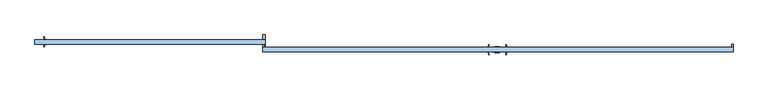
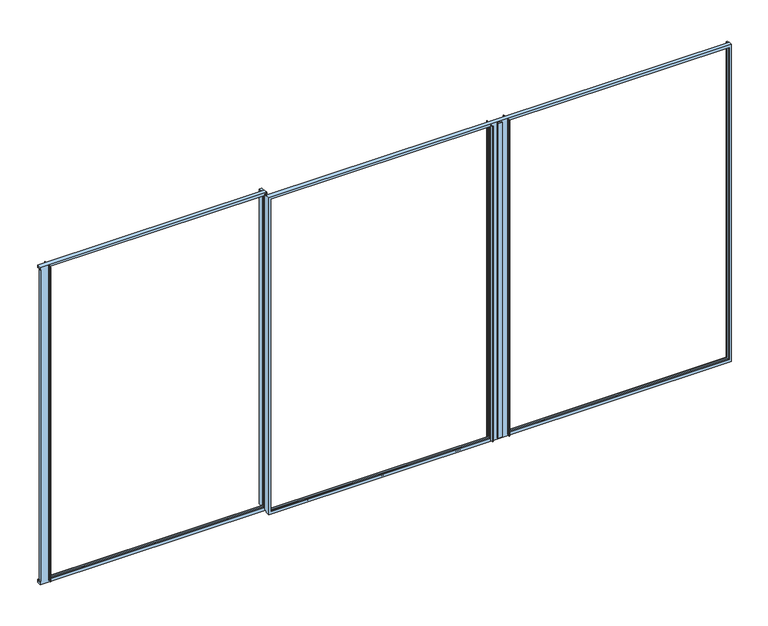
"""IFC4 building model written with IfcOpenShell, lengths in millimetres: window geometry."""

from ifc_helpers import new_model, si_unit, frame, origin, place, context, project, spatial, polyline, circle_curve, source, transform, mapped, element, save
from ifc_brep_helpers import plane_surface, cylinder_surface, revolved_surface, advanced_brep


def window_4b9cd3b5(model_context):
    return source(origin(), model_context, "Body", "AdvancedBrep", [
        advanced_brep(
        [(2165.9184395, -56.9, 844.0), (2168.8022748, -54.7267369, 844.0), (2170.1850628, -49.9032764, 844.0), (2170.060369, -47.9669635, 844.0), (2164.3252178, -32.5567861, 844.0), (2164.8, -31.9, 844.0), (2167.5600389, -31.9, 844.0), (2168.5163437, -32.6076283, 844.0), (2173.1689143, -47.825501, 844.0), (2173.1689143, -50.3823333, 844.0), (2171.3004318, -56.9, 844.0), (2171.3004318, -93.3, 844.0), (2173.1689143, -99.8176667, 844.0), (2173.1689143, -102.374499, 844.0), (2168.5163437, -117.5923717, 844.0), (2167.5600389, -118.3, 844.0), (2164.8, -118.3, 844.0), (2164.3252178, -117.6432139, 844.0), (2170.060369, -102.2330365, 844.0), (2170.1850628, -100.2967236, 844.0), (2168.8022748, -95.4732631, 844.0), (2165.9184395, -93.3, 844.0), (2165.9184395, -56.9, 3756.0), (2168.8022748, -54.7267369, 3756.0), (2170.1850628, -49.9032764, 3756.0), (2170.060369, -47.9669635, 3756.0), (2164.3252178, -32.5567861, 3756.0), (2164.8, -31.9, 3756.0), (2167.5600389, -31.9, 3756.0), (2168.5163437, -32.6076283, 3756.0), (2173.1689143, -47.825501, 3756.0), (2173.1689143, -50.3823333, 3756.0), (2171.3004318, -56.9, 3756.0), (4120.0, -56.9, 3765.0), (4120.0, -56.9, 3756.0), (4110.0, -56.9, 3756.0), (4110.0, -56.9, 844.0), (4120.0, -56.9, 844.0), (4120.0, -56.9, 832.5), (80.0, -56.9, 832.5), (80.0, -56.9, 844.0), (90.0, -56.9, 844.0), (90.0, -56.9, 3756.0), (80.0, -56.9, 3756.0), (80.0, -56.9, 3765.0), (2172.3307143, -56.9, 3741.0), (2172.3307143, -56.9, 859.0), (4100.0, -56.9, 859.0), (4100.0, -56.9, 3741.0), (2015.3692857, -56.9, 859.0), (2015.3692857, -56.9, 3741.0), (100.0, -56.9, 3741.0), (100.0, -56.9, 859.0), (2100.0, -56.9, 3756.0), (2072.7, -56.9, 3756.0), (2072.7, -56.9, 844.0), (2100.0, -56.9, 844.0), (2021.7815605, -56.9, 3756.0), (2016.3995682, -56.9, 3756.0), (2016.3995682, -56.9, 844.0), (2021.7815605, -56.9, 844.0), (2171.3004318, -93.3, 3756.0), (2173.1689143, -99.8176667, 3756.0), (2173.1689143, -102.374499, 3756.0), (2168.5163437, -117.5923717, 3756.0), (2167.5600389, -118.3, 3756.0), (2164.8, -118.3, 3756.0), (2164.3252178, -117.6432139, 3756.0), (2170.060369, -102.2330365, 3756.0), (2170.1850628, -100.2967236, 3756.0), (2168.8022748, -95.4732631, 3756.0), (2165.9184395, -93.3, 3756.0), (80.0, -93.3, 832.5), (4120.0, -93.3, 832.5), (4120.0, -93.3, 3765.0), (80.0, -93.3, 3765.0), (100.0, -93.3, 859.0), (100.0, -93.3, 3741.0), (2015.3692857, -93.3, 3741.0), (2015.3692857, -93.3, 859.0), (2172.3307143, -93.3, 859.0), (2172.3307143, -93.3, 3741.0), (4100.0, -93.3, 3741.0), (4100.0, -93.3, 859.0), (2016.3995682, -93.3, 3756.0), (2021.7815605, -93.3, 3756.0), (2021.7815605, -93.3, 844.0), (2016.3995682, -93.3, 844.0), (2072.7, -93.3, 3756.0), (2100.0, -93.3, 3756.0), (2100.0, -93.3, 844.0), (2072.7, -93.3, 844.0), (2172.3307143, -90.1, 859.0), (2172.3307143, -90.1, 3741.0), (4100.0, -90.1, 3741.0), (4100.0, -90.1, 859.0), (4120.0, -30.3, 844.0), (4120.0, -30.3, 3756.0), (80.0, -30.3, 3756.0), (80.0, -30.3, 844.0), (100.0, -90.1, 859.0), (100.0, -90.1, 3741.0), (2015.3692857, -90.1, 859.0), (2015.3692857, -90.1, 3741.0), (2100.0, -96.324311, 3756.0), (2100.0, -96.324311, 844.0), (2100.0, -53.9, 844.0), (2100.0, -53.9, 3756.0), (2072.7, -48.8, 844.0), (2112.3000215, -48.8, 844.0), (2112.3000215, -53.9, 844.0), (2112.3000215, -96.324311, 844.0), (2112.3000215, -101.6, 844.0), (2072.7, -101.6, 844.0), (2018.8977252, -95.4732631, 844.0), (2017.5149372, -100.2967236, 844.0), (2017.639631, -102.2330365, 844.0), (2023.3747822, -117.6432139, 844.0), (2022.9, -118.3, 844.0), (2020.1399611, -118.3, 844.0), (2019.1836563, -117.5923717, 844.0), (2014.5310857, -102.374499, 844.0), (2014.5310857, -99.8176667, 844.0), (2014.5310857, -50.3823333, 844.0), (2014.5310857, -47.825501, 844.0), (2019.1836563, -32.6076283, 844.0), (2020.1399611, -31.9, 844.0), (2022.9, -31.9, 844.0), (2023.3747822, -32.5567861, 844.0), (2017.639631, -47.9669635, 844.0), (2017.5149372, -49.9032764, 844.0), (2018.8977252, -54.7267369, 844.0), (2072.7, -101.6, 3756.0), (2018.8977252, -95.4732631, 3756.0), (2014.5310857, -99.8176667, 3756.0), (2159.3, -90.1, 847.0000675), (2159.3, -90.1, 3752.9999325), (4112.0, -90.1, 3752.9999325), (4112.0, -90.1, 847.0000675), (2159.3, -60.1, 847.0000675), (2159.3, -60.1, 3752.9999325), (4112.0, -60.1, 847.0000675), (4112.0, -60.1, 3752.9999325), (2172.3307143, -60.1, 859.0), (2172.3307143, -60.1, 3741.0), (4100.0, -60.1, 3741.0), (4100.0, -60.1, 859.0), (4110.0, -30.3, 3756.0), (4110.0, -30.3, 844.0), (90.0, -30.3, 844.0), (90.0, -30.3, 3756.0), (2015.3692857, -60.1, 859.0), (2015.3692857, -60.1, 3741.0), (100.0, -60.1, 859.0), (100.0, -60.1, 3741.0), (2072.7, -48.8, 3756.0), (2014.5310857, -50.3823333, 3756.0), (2018.8977252, -54.7267369, 3756.0), (2028.4, -90.1, 847.0000675), (88.0, -90.1, 847.0000675), (88.0, -90.1, 3752.9999325), (2028.4, -90.1, 3752.9999325), (88.0, -60.1, 847.0000675), (2028.4, -60.1, 847.0000675), (88.0, -60.1, 3752.9999325), (2028.4, -60.1, 3752.9999325), (2112.3000215, -48.8, 3756.0), (2112.3000215, -53.9, 3756.0), (2112.3000215, -96.324311, 3756.0), (2112.3000215, -101.6, 3756.0), (2017.5149372, -100.2967236, 3756.0), (2017.639631, -102.2330365, 3756.0), (2023.3747822, -117.6432139, 3756.0), (2022.9, -118.3, 3756.0), (2020.1399611, -118.3, 3756.0), (2019.1836563, -117.5923717, 3756.0), (2014.5310857, -102.374499, 3756.0), (2014.5310857, -47.825501, 3756.0), (2019.1836563, -32.6076283, 3756.0), (2020.1399611, -31.9, 3756.0), (2022.9, -31.9, 3756.0), (2023.3747822, -32.5567861, 3756.0), (2017.639631, -47.9669635, 3756.0), (2017.5149372, -49.9032764, 3756.0)],
        [
            (0, 1, circle_curve(frame((2165.9184395, -53.9, 844.0), z_axis=(0.0, 0.0, 1.0), x_axis=(0.0, -1.0, 0.0)), 3.0)),
            (1, 2),
            (2, 3, circle_curve(frame((2167.2897839, -49.1175538, 844.0), z_axis=(0.0, 0.0, 1.0), x_axis=(0.0, -1.0, 0.0)), 3.0)),
            (3, 4, circle_curve(frame((2373.4931585, 36.5162025, 844.0), z_axis=(0.0, 0.0, -1.0), x_axis=(0.0, -1.0, 0.0)), 220.2777909)),
            (4, 5, circle_curve(frame((2164.8, -32.4, 844.0), z_axis=(0.0, 0.0, -1.0), x_axis=(0.0, -1.0, 0.0)), 0.5)),
            (5, 6),
            (6, 7, circle_curve(frame((2167.5600389, -32.9, 844.0), z_axis=(0.0, 0.0, -1.0), x_axis=(0.0, -1.0, 0.0)), 1.0)),
            (7, 8),
            (8, 9, circle_curve(frame((2168.7095251, -49.1039171, 844.0), z_axis=(0.0, 0.0, -1.0), x_axis=(0.0, -1.0, 0.0)), 4.6390193)),
            (9, 10),
            (10, 0),
            (11, 12),
            (12, 13, circle_curve(frame((2168.7095251, -101.0960829, 844.0), z_axis=(0.0, 0.0, -1.0), x_axis=(0.0, -1.0, 0.0)), 4.6390193)),
            (13, 14),
            (14, 15, circle_curve(frame((2167.5600389, -117.3, 844.0), z_axis=(0.0, 0.0, -1.0), x_axis=(0.0, -1.0, 0.0)), 1.0)),
            (15, 16),
            (16, 17, circle_curve(frame((2164.8, -117.8, 844.0), z_axis=(0.0, 0.0, -1.0), x_axis=(0.0, -1.0, 0.0)), 0.5)),
            (17, 18, circle_curve(frame((2373.4931585, -186.7162025, 844.0), z_axis=(0.0, 0.0, -1.0), x_axis=(0.0, -1.0, 0.0)), 220.2777909)),
            (18, 19, circle_curve(frame((2167.2897839, -101.0824462, 844.0), z_axis=(0.0, 0.0, 1.0), x_axis=(0.0, -1.0, 0.0)), 3.0)),
            (19, 20),
            (20, 21, circle_curve(frame((2165.9184395, -96.3, 844.0), z_axis=(0.0, 0.0, 1.0), x_axis=(0.0, -1.0, 0.0)), 3.0)),
            (21, 11),
            (22, 23, circle_curve(frame((2165.9184395, -53.9, 3756.0), z_axis=(0.0, 0.0, 1.0), x_axis=(0.0, -1.0, 0.0)), 3.0)),
            (23, 1),
            (0, 22),
            (23, 24),
            (24, 2),
            (24, 25, circle_curve(frame((2167.2897839, -49.1175538, 3756.0), z_axis=(0.0, 0.0, 1.0), x_axis=(0.0, -1.0, 0.0)), 3.0)),
            (25, 3),
            (25, 26, circle_curve(frame((2373.4931585, 36.5162025, 3756.0), z_axis=(0.0, 0.0, -1.0), x_axis=(0.0, -1.0, 0.0)), 220.2777909)),
            (26, 4),
            (26, 27, circle_curve(frame((2164.8, -32.4, 3756.0), z_axis=(0.0, 0.0, -1.0), x_axis=(0.0, -1.0, 0.0)), 0.5)),
            (27, 5),
            (27, 28),
            (28, 6),
            (28, 29, circle_curve(frame((2167.5600389, -32.9, 3756.0), z_axis=(0.0, 0.0, -1.0), x_axis=(0.0, -1.0, 0.0)), 1.0)),
            (29, 7),
            (29, 30),
            (30, 8),
            (30, 31, circle_curve(frame((2168.7095251, -49.1039171, 3756.0), z_axis=(0.0, 0.0, -1.0), x_axis=(0.0, -1.0, 0.0)), 4.6390193)),
            (31, 9),
            (31, 32),
            (32, 10),
            (33, 34),
            (34, 35),
            (35, 36),
            (36, 37),
            (37, 38),
            (38, 39),
            (39, 40),
            (40, 41),
            (41, 42),
            (42, 43),
            (43, 44),
            (44, 33),
            (32, 22),
            (45, 46),
            (46, 47),
            (47, 48),
            (48, 45),
            (49, 50),
            (50, 51),
            (51, 52),
            (52, 49),
            (53, 54),
            (54, 55),
            (55, 56),
            (56, 53),
            (57, 58),
            (58, 59),
            (59, 60),
            (60, 57),
            (61, 62),
            (62, 12),
            (11, 61),
            (62, 63, circle_curve(frame((2168.7095251, -101.0960829, 3756.0), z_axis=(0.0, 0.0, -1.0), x_axis=(0.0, -1.0, 0.0)), 4.6390193)),
            (63, 13),
            (63, 64),
            (64, 14),
            (64, 65, circle_curve(frame((2167.5600389, -117.3, 3756.0), z_axis=(0.0, 0.0, -1.0), x_axis=(0.0, -1.0, 0.0)), 1.0)),
            (65, 15),
            (65, 66),
            (66, 16),
            (66, 67, circle_curve(frame((2164.8, -117.8, 3756.0), z_axis=(0.0, 0.0, -1.0), x_axis=(0.0, -1.0, 0.0)), 0.5)),
            (67, 17),
            (67, 68, circle_curve(frame((2373.4931585, -186.7162025, 3756.0), z_axis=(0.0, 0.0, -1.0), x_axis=(0.0, -1.0, 0.0)), 220.2777909)),
            (68, 18),
            (68, 69, circle_curve(frame((2167.2897839, -101.0824462, 3756.0), z_axis=(0.0, 0.0, 1.0), x_axis=(0.0, -1.0, 0.0)), 3.0)),
            (69, 19),
            (69, 70),
            (70, 20),
            (70, 71, circle_curve(frame((2165.9184395, -96.3, 3756.0), z_axis=(0.0, 0.0, 1.0), x_axis=(0.0, -1.0, 0.0)), 3.0)),
            (71, 21),
            (72, 73),
            (73, 74),
            (74, 75),
            (75, 72),
            (71, 61),
            (76, 77),
            (77, 78),
            (78, 79),
            (79, 76),
            (80, 81),
            (81, 82),
            (82, 83),
            (83, 80),
            (84, 85),
            (85, 86),
            (86, 87),
            (87, 84),
            (88, 89),
            (89, 90),
            (90, 91),
            (91, 88),
            (80, 92),
            (92, 93),
            (93, 81),
            (82, 94),
            (94, 95),
            (95, 83),
            (95, 92),
            (38, 73),
            (72, 39),
            (37, 96),
            (96, 97),
            (97, 34),
            (33, 74),
            (98, 99),
            (99, 40),
            (75, 44),
            (43, 98),
            (76, 100),
            (100, 101),
            (101, 77),
            (102, 79),
            (78, 103),
            (103, 102),
            (102, 100),
            (104, 105),
            (105, 90),
            (89, 104),
            (106, 107),
            (107, 53),
            (56, 106),
            (108, 109),
            (109, 110),
            (110, 106),
            (55, 108),
            (105, 111),
            (111, 112),
            (112, 113),
            (113, 91),
            (86, 114, circle_curve(frame((2021.7815605, -96.3, 844.0), z_axis=(0.0, 0.0, 1.0), x_axis=(0.0, -1.0, 0.0)), 3.0)),
            (114, 115),
            (115, 116, circle_curve(frame((2020.4102161, -101.0824462, 844.0), z_axis=(0.0, 0.0, 1.0), x_axis=(0.0, -1.0, 0.0)), 3.0)),
            (116, 117, circle_curve(frame((1814.2068415, -186.7162025, 844.0), z_axis=(0.0, 0.0, -1.0), x_axis=(0.0, -1.0, 0.0)), 220.2777909)),
            (117, 118, circle_curve(frame((2022.9, -117.8, 844.0), z_axis=(0.0, 0.0, -1.0), x_axis=(0.0, -1.0, 0.0)), 0.5)),
            (118, 119),
            (119, 120, circle_curve(frame((2020.1399611, -117.3, 844.0), z_axis=(0.0, 0.0, -1.0), x_axis=(0.0, -1.0, 0.0)), 1.0)),
            (120, 121),
            (121, 122, circle_curve(frame((2018.9904749, -101.0960829, 844.0), z_axis=(0.0, 0.0, -1.0), x_axis=(0.0, -1.0, 0.0)), 4.6390193)),
            (122, 87),
            (59, 123),
            (123, 124, circle_curve(frame((2018.9904749, -49.1039171, 844.0), z_axis=(0.0, 0.0, -1.0), x_axis=(0.0, -1.0, 0.0)), 4.6390193)),
            (124, 125),
            (125, 126, circle_curve(frame((2020.1399611, -32.9, 844.0), z_axis=(0.0, 0.0, -1.0), x_axis=(0.0, -1.0, 0.0)), 1.0)),
            (126, 127),
            (127, 128, circle_curve(frame((2022.9, -32.4, 844.0), z_axis=(0.0, 0.0, -1.0), x_axis=(0.0, -1.0, 0.0)), 0.5)),
            (128, 129, circle_curve(frame((1814.2068415, 36.5162025, 844.0), z_axis=(0.0, 0.0, -1.0), x_axis=(0.0, -1.0, 0.0)), 220.2777909)),
            (129, 130, circle_curve(frame((2020.4102161, -49.1175538, 844.0), z_axis=(0.0, 0.0, 1.0), x_axis=(0.0, -1.0, 0.0)), 3.0)),
            (130, 131),
            (131, 60, circle_curve(frame((2021.7815605, -53.9, 844.0), z_axis=(0.0, 0.0, 1.0), x_axis=(0.0, -1.0, 0.0)), 3.0)),
            (132, 88),
            (113, 132),
            (85, 133, circle_curve(frame((2021.7815605, -96.3, 3756.0), z_axis=(0.0, 0.0, 1.0), x_axis=(0.0, -1.0, 0.0)), 3.0)),
            (133, 114),
            (134, 84),
            (122, 134),
            (135, 136),
            (136, 137),
            (137, 138),
            (138, 135),
            (94, 93),
            (135, 139),
            (139, 140),
            (140, 136),
            (141, 138),
            (137, 142),
            (142, 141),
            (141, 139),
            (142, 140),
            (143, 144),
            (144, 145),
            (145, 146),
            (146, 143),
            (143, 46),
            (45, 144),
            (145, 48),
            (47, 146),
            (35, 147),
            (147, 148),
            (148, 36),
            (148, 96),
            (99, 149),
            (149, 41),
            (150, 42),
            (149, 150),
            (49, 151),
            (151, 152),
            (152, 50),
            (153, 52),
            (51, 154),
            (154, 153),
            (153, 151),
            (54, 155),
            (155, 108),
            (58, 156),
            (156, 123),
            (157, 57, circle_curve(frame((2021.7815605, -53.9, 3756.0), z_axis=(0.0, 0.0, 1.0), x_axis=(0.0, -1.0, 0.0)), 3.0)),
            (131, 157),
            (147, 97),
            (98, 150),
            (158, 159),
            (159, 160),
            (160, 161),
            (161, 158),
            (103, 101),
            (162, 159),
            (158, 163),
            (163, 162),
            (162, 164),
            (164, 160),
            (165, 163),
            (161, 165),
            (165, 164),
            (154, 152),
            (155, 166),
            (166, 109),
            (166, 167),
            (167, 110),
            (167, 107),
            (104, 168),
            (168, 111),
            (168, 169),
            (169, 112),
            (169, 132),
            (133, 170),
            (170, 115),
            (170, 171, circle_curve(frame((2020.4102161, -101.0824462, 3756.0), z_axis=(0.0, 0.0, 1.0), x_axis=(0.0, -1.0, 0.0)), 3.0)),
            (171, 116),
            (171, 172, circle_curve(frame((1814.2068415, -186.7162025, 3756.0), z_axis=(0.0, 0.0, -1.0), x_axis=(0.0, -1.0, 0.0)), 220.2777909)),
            (172, 117),
            (172, 173, circle_curve(frame((2022.9, -117.8, 3756.0), z_axis=(0.0, 0.0, -1.0), x_axis=(0.0, -1.0, 0.0)), 0.5)),
            (173, 118),
            (173, 174),
            (174, 119),
            (174, 175, circle_curve(frame((2020.1399611, -117.3, 3756.0), z_axis=(0.0, 0.0, -1.0), x_axis=(0.0, -1.0, 0.0)), 1.0)),
            (175, 120),
            (175, 176),
            (176, 121),
            (176, 134, circle_curve(frame((2018.9904749, -101.0960829, 3756.0), z_axis=(0.0, 0.0, -1.0), x_axis=(0.0, -1.0, 0.0)), 4.6390193)),
            (156, 177, circle_curve(frame((2018.9904749, -49.1039171, 3756.0), z_axis=(0.0, 0.0, -1.0), x_axis=(0.0, -1.0, 0.0)), 4.6390193)),
            (177, 124),
            (177, 178),
            (178, 125),
            (178, 179, circle_curve(frame((2020.1399611, -32.9, 3756.0), z_axis=(0.0, 0.0, -1.0), x_axis=(0.0, -1.0, 0.0)), 1.0)),
            (179, 126),
            (179, 180),
            (180, 127),
            (180, 181, circle_curve(frame((2022.9, -32.4, 3756.0), z_axis=(0.0, 0.0, -1.0), x_axis=(0.0, -1.0, 0.0)), 0.5)),
            (181, 128),
            (181, 182, circle_curve(frame((1814.2068415, 36.5162025, 3756.0), z_axis=(0.0, 0.0, -1.0), x_axis=(0.0, -1.0, 0.0)), 220.2777909)),
            (182, 129),
            (182, 183, circle_curve(frame((2020.4102161, -49.1175538, 3756.0), z_axis=(0.0, 0.0, 1.0), x_axis=(0.0, -1.0, 0.0)), 3.0)),
            (183, 130),
            (183, 157),
        ],
        [
            plane_surface(frame((2100.0, 100.0, 844.0), z_axis=(0.0, 0.0, -1.0), x_axis=(0.0, -1.0, 0.0))),
            revolved_surface(polyline([(2165.9184395, -56.9, 844.0), (2165.9184395, -56.9, 3756.0)]), (2165.9184395, -53.9, 3756.0), (0.0, 0.0, -1.0)),
            plane_surface(frame((2170.1850628, -49.9032764, 3756.0), z_axis=(-0.9612784358401893, 0.27557897014946353, 0.0), x_axis=(0.0, 0.0, -1.0))),
            revolved_surface(polyline([(2167.2897839, -52.1175538, 844.0), (2167.2897839, -52.1175538, 3756.0)]), (2167.2897839, -49.1175538, 3756.0), (0.0, 0.0, -1.0)),
            cylinder_surface(frame((2373.4931585, 36.5162025, 3756.0), z_axis=(0.0, 0.0, 1.0), x_axis=(0.0, -1.0, 0.0)), 220.2777909),
            cylinder_surface(frame((2164.8, -32.4, 3756.0), z_axis=(0.0, 0.0, 1.0), x_axis=(0.0, -1.0, 0.0)), 0.5),
            plane_surface(frame((2167.5600389, -31.9, 3756.0), z_axis=(0.0, 1.0, 0.0), x_axis=(0.0, 0.0, -1.0))),
            cylinder_surface(frame((2167.5600389, -32.9, 3756.0), z_axis=(0.0, 0.0, 1.0), x_axis=(0.0, -1.0, 0.0)), 1.0),
            plane_surface(frame((2173.1689143, -47.825501, 3756.0), z_axis=(0.956304755963094, 0.2923717047225452, 0.0), x_axis=(0.0, 0.0, -1.0))),
            cylinder_surface(frame((2168.7095251, -49.1039171, 3756.0), z_axis=(0.0, 0.0, 1.0), x_axis=(0.0, -1.0, 0.0)), 4.6390193),
            plane_surface(frame((2171.3004318, -56.9, 3756.0), z_axis=(0.9612784356152697, -0.27557897093403194, 0.0), x_axis=(0.0, 0.0, -1.0))),
            plane_surface(frame((2172.3307143, -56.9, 3756.0), z_axis=(0.0, 1.0, 0.0), x_axis=(0.0, 0.0, -1.0))),
            plane_surface(frame((2173.1689143, -99.8176667, 3756.0), z_axis=(0.961278435649344, 0.27557897081517363, 0.0), x_axis=(0.0, 0.0, -1.0))),
            cylinder_surface(frame((2168.7095251, -101.0960829, 3756.0), z_axis=(0.0, 0.0, 1.0), x_axis=(0.0, -1.0, 0.0)), 4.6390193),
            plane_surface(frame((2168.5163437, -117.5923717, 3756.0), z_axis=(0.956304755963116, -0.29237170472247326, 0.0), x_axis=(0.0, 0.0, -1.0))),
            cylinder_surface(frame((2167.5600389, -117.3, 3756.0), z_axis=(0.0, 0.0, 1.0), x_axis=(0.0, -1.0, 0.0)), 1.0),
            plane_surface(frame((2164.8, -118.3, 3756.0), z_axis=(0.0, -1.0, 0.0), x_axis=(0.0, 0.0, -1.0))),
            cylinder_surface(frame((2164.8, -117.8, 3756.0), z_axis=(0.0, 0.0, 1.0), x_axis=(0.0, -1.0, 0.0)), 0.5),
            cylinder_surface(frame((2373.4931585, -186.7162025, 3756.0), z_axis=(0.0, 0.0, 1.0), x_axis=(0.0, -1.0, 0.0)), 220.2777909),
            revolved_surface(polyline([(2167.2897839, -104.0824462, 844.0), (2167.2897839, -104.0824462, 3756.0)]), (2167.2897839, -101.0824462, 3756.0), (0.0, 0.0, -1.0)),
            plane_surface(frame((2168.8022748, -95.4732631, 3756.0), z_axis=(-0.9612784358632879, -0.2755789700688911, 0.0), x_axis=(0.0, 0.0, -1.0))),
            revolved_surface(polyline([(2165.9184395, -99.3, 844.0), (2165.9184395, -99.3, 3756.0)]), (2165.9184395, -96.3, 3756.0), (0.0, 0.0, -1.0)),
            plane_surface(frame((2100.0, -93.3, 3756.0), z_axis=(0.0, -1.0, 0.0), x_axis=(0.0, 0.0, -1.0))),
            plane_surface(frame((2172.3307143, -93.3, 3756.0), z_axis=(1.0, 0.0, 0.0), x_axis=(0.0, 0.0, -1.0))),
            plane_surface(frame((4100.0, -90.1, 3756.0), z_axis=(-1.0, 0.0, 0.0), x_axis=(0.0, 0.0, -1.0))),
            plane_surface(frame((2100.0, -93.3, 859.0), z_axis=(0.0, 0.0, 1.0), x_axis=(1.0, 0.0, 0.0))),
            plane_surface(frame((2100.0, -56.9, 832.5), z_axis=(0.0, 0.0, -1.0), x_axis=(1.0, 0.0, 0.0))),
            plane_surface(frame((4120.0, -56.9, 859.0), z_axis=(1.0, 0.0, 0.0), x_axis=(0.0, -1.0, 0.0))),
            plane_surface(frame((80.0, -30.3, 3756.0), z_axis=(-1.0, 0.0, 0.0), x_axis=(0.0, 0.0, -1.0))),
            plane_surface(frame((100.0, -93.3, 3756.0), z_axis=(1.0, 0.0, 0.0), x_axis=(0.0, 0.0, -1.0))),
            plane_surface(frame((2015.3692857, -90.1, 3756.0), z_axis=(-1.0, 0.0, 0.0), x_axis=(0.0, 0.0, -1.0))),
            plane_surface(frame((80.0, -93.3, 859.0), z_axis=(0.0, 0.0, 1.0), x_axis=(1.0, 0.0, 0.0))),
            plane_surface(frame((2100.0, -56.9, 3756.0), z_axis=(1.0, 0.0, 0.0), x_axis=(0.0, 0.0, -1.0))),
            plane_surface(frame((2072.7, -93.3, 3756.0), z_axis=(-1.0, 0.0, 0.0), x_axis=(0.0, 0.0, -1.0))),
            revolved_surface(polyline([(2021.7815605, -99.3, 844.0), (2021.7815605, -99.3, 3756.0)]), (2021.7815605, -96.3, 3756.0), (0.0, 0.0, -1.0)),
            plane_surface(frame((2016.3995682, -93.3, 3756.0), z_axis=(-0.9612784356433122, 0.27557897083621324, 0.0), x_axis=(0.0, 0.0, -1.0))),
            plane_surface(frame((2172.3307143, -90.1, 3756.0), z_axis=(0.0, 1.0, 0.0), x_axis=(0.0, 0.0, -1.0))),
            plane_surface(frame((2159.3, -90.1, 3756.0), z_axis=(1.0, 0.0, 0.0), x_axis=(0.0, 0.0, -1.0))),
            plane_surface(frame((4112.0, -60.1, 3756.0), z_axis=(-1.0, 0.0, 0.0), x_axis=(0.0, 0.0, -1.0))),
            plane_surface(frame((2100.0, -90.1, 847.0000675), z_axis=(0.0, 0.0, 1.0), x_axis=(1.0, 0.0, 0.0))),
            plane_surface(frame((2159.3, -60.1, 3756.0), z_axis=(0.0, -1.0, 0.0), x_axis=(0.0, 0.0, -1.0))),
            plane_surface(frame((2172.3307143, -60.1, 3756.0), z_axis=(1.0, 0.0, 0.0), x_axis=(0.0, 0.0, -1.0))),
            plane_surface(frame((4100.0, -56.9, 3756.0), z_axis=(-1.0, 0.0, 0.0), x_axis=(0.0, 0.0, -1.0))),
            plane_surface(frame((2100.0, -60.1, 859.0), z_axis=(0.0, 0.0, 1.0), x_axis=(1.0, 0.0, 0.0))),
            plane_surface(frame((4110.0, -30.3, 3756.0), z_axis=(-1.0, 0.0, 0.0), x_axis=(0.0, 0.0, -1.0))),
            plane_surface(frame((4110.0, -30.3, 844.0), z_axis=(0.0, 0.0, -1.0), x_axis=(1.0, 0.0, 0.0))),
            plane_surface(frame((80.0, -93.3, 844.0), z_axis=(0.0, 0.0, -1.0), x_axis=(0.0, 1.0, 0.0))),
            plane_surface(frame((90.0, -56.9, 3756.0), z_axis=(1.0, 0.0, 0.0), x_axis=(0.0, 0.0, -1.0))),
            plane_surface(frame((2015.3692857, -56.9, 3756.0), z_axis=(-1.0, 0.0, 0.0), x_axis=(0.0, 0.0, -1.0))),
            plane_surface(frame((100.0, -60.1, 3756.0), z_axis=(1.0, 0.0, 0.0), x_axis=(0.0, 0.0, -1.0))),
            plane_surface(frame((80.0, -60.1, 859.0), z_axis=(0.0, 0.0, 1.0), x_axis=(1.0, 0.0, 0.0))),
            plane_surface(frame((2072.7, -48.8, 3756.0), z_axis=(-1.0, 0.0, 0.0), x_axis=(0.0, 0.0, -1.0))),
            plane_surface(frame((2014.5310857, -50.3823333, 3756.0), z_axis=(-0.9612784358231078, -0.2755789702090481, 0.0), x_axis=(0.0, 0.0, -1.0))),
            revolved_surface(polyline([(2021.7815605, -56.9, 844.0), (2021.7815605, -56.9, 3756.0)]), (2021.7815605, -53.9, 3756.0), (0.0, 0.0, -1.0)),
            plane_surface(frame((4120.0, -30.3, 3756.0), z_axis=(0.0, 1.0, 0.0), x_axis=(0.0, 0.0, -1.0))),
            plane_surface(frame((90.0, -30.3, 3756.0), z_axis=(0.0, 1.0, 0.0), x_axis=(0.0, 0.0, -1.0))),
            plane_surface(frame((100.0, -90.1, 3756.0), z_axis=(0.0, 1.0, 0.0), x_axis=(0.0, 0.0, -1.0))),
            plane_surface(frame((80.0, -90.1, 847.0000675), z_axis=(0.0, 0.0, 1.0), x_axis=(1.0, 0.0, 0.0))),
            plane_surface(frame((88.0, -90.1, 3756.0), z_axis=(1.0, 0.0, 0.0), x_axis=(0.0, 0.0, -1.0))),
            plane_surface(frame((2028.4, -60.1, 3756.0), z_axis=(-1.0, 0.0, 0.0), x_axis=(0.0, 0.0, -1.0))),
            plane_surface(frame((88.0, -60.1, 3756.0), z_axis=(0.0, -1.0, 0.0), x_axis=(0.0, 0.0, -1.0))),
            plane_surface(frame((2112.3000215, -48.8, 3756.0), z_axis=(0.0, 1.0, 0.0), x_axis=(0.0, 0.0, -1.0))),
            plane_surface(frame((2112.3000215, -53.9, 3756.0), z_axis=(1.0, 0.0, 0.0), x_axis=(0.0, 0.0, -1.0))),
            plane_surface(frame((2100.0, -53.9, 3756.0), z_axis=(0.0, -1.0, 0.0), x_axis=(0.0, 0.0, -1.0))),
            plane_surface(frame((2112.3000215, -96.324311, 3756.0), z_axis=(0.0, 1.0, 0.0), x_axis=(0.0, 0.0, -1.0))),
            plane_surface(frame((2112.3000215, -101.6, 3756.0), z_axis=(1.0, 0.0, 0.0), x_axis=(0.0, 0.0, -1.0))),
            plane_surface(frame((2072.7, -101.6, 3756.0), z_axis=(0.0, -1.0, 0.0), x_axis=(0.0, 0.0, -1.0))),
            plane_surface(frame((2017.5149372, -100.2967236, 3756.0), z_axis=(0.961278435864002, -0.27557897006640036, 0.0), x_axis=(0.0, 0.0, -1.0))),
            revolved_surface(polyline([(2020.4102161, -104.0824462, 844.0), (2020.4102161, -104.0824462, 3756.0)]), (2020.4102161, -101.0824462, 3756.0), (0.0, 0.0, -1.0)),
            cylinder_surface(frame((1814.2068415, -186.7162025, 3756.0), z_axis=(0.0, 0.0, 1.0), x_axis=(0.0, -1.0, 0.0)), 220.2777909),
            cylinder_surface(frame((2022.9, -117.8, 3756.0), z_axis=(0.0, 0.0, 1.0), x_axis=(0.0, -1.0, 0.0)), 0.5),
            plane_surface(frame((2020.1399611, -118.3, 3756.0), z_axis=(0.0, -1.0, 0.0), x_axis=(0.0, 0.0, -1.0))),
            cylinder_surface(frame((2020.1399611, -117.3, 3756.0), z_axis=(0.0, 0.0, 1.0), x_axis=(0.0, -1.0, 0.0)), 1.0),
            plane_surface(frame((2014.5310857, -102.374499, 3756.0), z_axis=(-0.9563047559631145, -0.29237170472247864, 0.0), x_axis=(0.0, 0.0, -1.0))),
            cylinder_surface(frame((2018.9904749, -101.0960829, 3756.0), z_axis=(0.0, 0.0, 1.0), x_axis=(0.0, -1.0, 0.0)), 4.6390193),
            cylinder_surface(frame((2018.9904749, -49.1039171, 3756.0), z_axis=(0.0, 0.0, 1.0), x_axis=(0.0, -1.0, 0.0)), 4.6390193),
            plane_surface(frame((2019.1836563, -32.6076283, 3756.0), z_axis=(-0.9563047559630947, 0.29237170472254287, 0.0), x_axis=(0.0, 0.0, -1.0))),
            cylinder_surface(frame((2020.1399611, -32.9, 3756.0), z_axis=(0.0, 0.0, 1.0), x_axis=(0.0, -1.0, 0.0)), 1.0),
            plane_surface(frame((2022.9, -31.9, 3756.0), z_axis=(0.0, 1.0, 0.0), x_axis=(0.0, 0.0, -1.0))),
            cylinder_surface(frame((2022.9, -32.4, 3756.0), z_axis=(0.0, 0.0, 1.0), x_axis=(0.0, -1.0, 0.0)), 0.5),
            cylinder_surface(frame((1814.2068415, 36.5162025, 3756.0), z_axis=(0.0, 0.0, 1.0), x_axis=(0.0, -1.0, 0.0)), 220.2777909),
            revolved_surface(polyline([(2020.4102161, -52.1175538, 844.0), (2020.4102161, -52.1175538, 3756.0)]), (2020.4102161, -49.1175538, 3756.0), (0.0, 0.0, -1.0)),
            plane_surface(frame((2018.8977252, -54.7267369, 3756.0), z_axis=(0.9612784358401935, 0.27557897014944926, 0.0), x_axis=(0.0, 0.0, -1.0))),
            plane_surface(frame((2100.0, 100.0, 3756.0), z_axis=(0.0, 0.0, 1.0), x_axis=(0.0, -1.0, 0.0))),
            plane_surface(frame((2100.0, -90.1, 3741.0), z_axis=(0.0, 0.0, -1.0), x_axis=(1.0, 0.0, 0.0))),
            plane_surface(frame((2100.0, -93.3, 3765.0), z_axis=(0.0, 0.0, 1.0), x_axis=(1.0, 0.0, 0.0))),
            plane_surface(frame((80.0, -90.1, 3741.0), z_axis=(0.0, 0.0, -1.0), x_axis=(1.0, 0.0, 0.0))),
            plane_surface(frame((2100.0, -60.1, 3752.9999325), z_axis=(0.0, 0.0, -1.0), x_axis=(1.0, 0.0, 0.0))),
            plane_surface(frame((2100.0, -56.9, 3741.0), z_axis=(0.0, 0.0, -1.0), x_axis=(1.0, 0.0, 0.0))),
            plane_surface(frame((4110.0, -30.3, 3756.0), z_axis=(0.0, 0.0, 1.0), x_axis=(-1.0, 0.0, 0.0))),
            plane_surface(frame((80.0, -93.3, 3756.0), z_axis=(0.0, 0.0, 1.0), x_axis=(0.0, -1.0, 0.0))),
            plane_surface(frame((80.0, -56.9, 3741.0), z_axis=(0.0, 0.0, -1.0), x_axis=(1.0, 0.0, 0.0))),
            plane_surface(frame((80.0, -60.1, 3752.9999325), z_axis=(0.0, 0.0, -1.0), x_axis=(1.0, 0.0, 0.0))),
        ],
        [
            (0, [[1, 2, 3, 4, 5, 6, 7, 8, 9, 10, 11]]),
            (0, [[12, 13, 14, 15, 16, 17, 18, 19, 20, 21, 22]]),
            (1, [[23, 24, -1, 25]]),
            (2, [[26, 27, -2, -24]]),
            (3, [[28, 29, -3, -27]]),
            (4, [[30, 31, -4, -29]]),
            (5, [[32, 33, -5, -31]]),
            (6, [[34, 35, -6, -33]]),
            (7, [[36, 37, -7, -35]]),
            (8, [[38, 39, -8, -37]]),
            (9, [[40, 41, -9, -39]]),
            (10, [[42, 43, -10, -41]]),
            (11, [[44, 45, 46, 47, 48, 49, 50, 51, 52, 53, 54, 55], [-11, -43, 56, -25], [57, 58, 59, 60], [61, 62, 63, 64], [65, 66, 67, 68], [69, 70, 71, 72]]),
            (12, [[73, 74, -12, 75]]),
            (13, [[76, 77, -13, -74]]),
            (14, [[78, 79, -14, -77]]),
            (15, [[80, 81, -15, -79]]),
            (16, [[82, 83, -16, -81]]),
            (17, [[84, 85, -17, -83]]),
            (18, [[86, 87, -18, -85]]),
            (19, [[88, 89, -19, -87]]),
            (20, [[90, 91, -20, -89]]),
            (21, [[92, 93, -21, -91]]),
            (22, [[94, 95, 96, 97], [-22, -93, 98, -75], [99, 100, 101, 102], [103, 104, 105, 106], [107, 108, 109, 110], [111, 112, 113, 114]]),
            (23, [[115, 116, 117, -103]]),
            (24, [[-105, 118, 119, 120]]),
            (25, [[-115, -106, -120, 121]]),
            (26, [[122, -94, 123, -49]]),
            (27, [[-122, -48, 124, 125, 126, -44, 127, -95]]),
            (28, [[128, 129, -50, -123, -97, 130, -54, 131]]),
            (29, [[132, 133, 134, -99]]),
            (30, [[135, -101, 136, 137]]),
            (31, [[138, -132, -102, -135]]),
            (32, [[139, 140, -112, 141]]),
            (32, [[142, 143, -68, 144]]),
            (0, [[145, 146, 147, -144, -67, 148]]),
            (0, [[149, 150, 151, 152, -113, -140]]),
            (0, [[153, 154, 155, 156, 157, 158, 159, 160, 161, 162, -109]]),
            (0, [[163, 164, 165, 166, 167, 168, 169, 170, 171, 172, -71]]),
            (33, [[173, -114, -152, 174]]),
            (34, [[-108, 175, 176, -153]]),
            (35, [[177, -110, -162, 178]]),
            (36, [[179, 180, 181, 182], [-116, -121, -119, 183]]),
            (37, [[184, 185, 186, -179]]),
            (38, [[187, -181, 188, 189]]),
            (39, [[-184, -182, -187, 190]]),
            (40, [[-185, -190, -189, 191], [192, 193, 194, 195]]),
            (41, [[196, -57, 197, -192]]),
            (42, [[-194, 198, -59, 199]]),
            (43, [[-196, -195, -199, -58]]),
            (44, [[200, 201, 202, -46]]),
            (45, [[-202, 203, -124, -47]]),
            (46, [[204, 205, -51, -129]]),
            (47, [[206, -52, -205, 207]]),
            (48, [[208, 209, 210, -61]]),
            (49, [[211, -63, 212, 213]]),
            (50, [[-64, -211, 214, -208]]),
            (51, [[-66, 215, 216, -148]]),
            (52, [[-70, 217, 218, -163]]),
            (53, [[219, -72, -172, 220]]),
            (54, [[221, -125, -203, -201]]),
            (55, [[222, -207, -204, -128]]),
            (56, [[223, 224, 225, 226], [-138, -137, 227, -133]]),
            (57, [[228, -223, 229, 230]]),
            (58, [[-224, -228, 231, 232]]),
            (59, [[233, -229, -226, 234]]),
            (60, [[-230, -233, 235, -231], [-214, -213, 236, -209]]),
            (61, [[237, 238, -145, -216]]),
            (62, [[239, 240, -146, -238]]),
            (63, [[241, -142, -147, -240]]),
            (64, [[242, 243, -149, -139]]),
            (65, [[244, 245, -150, -243]]),
            (66, [[246, -174, -151, -245]]),
            (67, [[247, 248, -154, -176]]),
            (68, [[249, 250, -155, -248]]),
            (69, [[251, 252, -156, -250]]),
            (70, [[253, 254, -157, -252]]),
            (71, [[255, 256, -158, -254]]),
            (72, [[257, 258, -159, -256]]),
            (73, [[259, 260, -160, -258]]),
            (74, [[261, -178, -161, -260]]),
            (75, [[262, 263, -164, -218]]),
            (76, [[264, 265, -165, -263]]),
            (77, [[266, 267, -166, -265]]),
            (78, [[268, 269, -167, -267]]),
            (79, [[270, 271, -168, -269]]),
            (80, [[272, 273, -169, -271]]),
            (81, [[274, 275, -170, -273]]),
            (82, [[276, -220, -171, -275]]),
            (83, [[-92, -90, -88, -86, -84, -82, -80, -78, -76, -73, -98]]),
            (83, [[-42, -40, -38, -36, -34, -32, -30, -28, -26, -23, -56]]),
            (84, [[-117, -183, -118, -104]]),
            (85, [[-96, -127, -55, -130]]),
            (86, [[-100, -134, -227, -136]]),
            (83, [[-215, -65, -143, -241, -239, -237]]),
            (83, [[-219, -276, -274, -272, -270, -268, -266, -264, -262, -217, -69]]),
            (83, [[-177, -261, -259, -257, -255, -253, -251, -249, -247, -175, -107]]),
            (83, [[-173, -246, -244, -242, -141, -111]]),
            (87, [[-186, -191, -188, -180]]),
            (88, [[-197, -60, -198, -193]]),
            (89, [[-221, -200, -45, -126]]),
            (90, [[-206, -222, -131, -53]]),
            (91, [[-236, -212, -62, -210]]),
            (92, [[-235, -234, -225, -232]]),
        ],
    ),
        advanced_brep(
        [(-1880.0, 5.9, 859.0), (-1880.0, 9.1, 859.0), (-1880.0, 9.1, 832.5), (-1880.0, -27.3, 832.5), (-1880.0, -27.3, 859.0), (-1880.0, -24.1, 859.0), (-1880.0, -24.1, 847.0000675), (-1880.0, 5.9, 847.0000675), (-1868.3, 5.9, 859.0), (-1868.3, 9.1, 859.0), (-1795.0, 9.1, 859.0), (-1795.0, 5.9, 859.0), (80.0, 5.9, 859.0), (80.0, 9.1, 859.0), (-1868.3, 9.1, 3741.0), (-1880.0, 9.1, 3741.0), (-1880.0, 9.1, 3765.0), (100.0, 9.1, 3765.0), (100.0, 9.1, 3756.0), (80.0, 9.1, 3756.0), (80.0, 9.1, 3741.0), (-1795.0, 9.1, 3741.0), (80.0, 9.1, 844.0), (100.0, 9.1, 844.0), (100.0, 9.1, 832.5), (-1797.0, 9.1, 3752.9999325), (-1802.3815605, 9.1, 3752.9999325), (-1802.3815605, 9.1, 847.0000675), (-1797.0, 9.1, 847.0000675), (100.0, -27.3, 832.5), (100.0, -27.3, 844.0), (90.0, -27.3, 844.0), (90.0, -27.3, 3756.0), (100.0, -27.3, 3756.0), (100.0, -27.3, 3765.0), (-1880.0, -27.3, 3765.0), (-1880.0, -27.3, 3741.0), (-1868.3, -27.3, 3741.0), (-1868.3, -27.3, 859.0), (-1795.0, -27.3, 859.0), (-1795.0, -27.3, 3741.0), (80.0, -27.3, 3741.0), (80.0, -27.3, 859.0), (-1802.3815605, -27.3, 3752.9999325), (-1797.0, -27.3, 3752.9999325), (-1797.0, -27.3, 847.0000675), (-1802.3815605, -27.3, 847.0000675), (-1868.3, -24.1, 859.0), (-1795.0, -24.1, 859.0), (80.0, -24.1, 859.0), (-1868.3, -24.1, 847.0000675), (92.0, -24.1, 847.0000675), (-1809.0, -24.1, 847.0000675), (-1809.0, -24.1, 3752.9999325), (92.0, -24.1, 3752.9999325), (80.0, -24.1, 3741.0), (-1795.0, -24.1, 3741.0), (-1880.0, -24.1, 3741.0), (-1880.0, -24.1, 3752.9999325), (-1868.3, -24.1, 3752.9999325), (-1868.3, -24.1, 3741.0), (-1868.3, 5.9, 847.0000675), (-1809.0, 5.9, 847.0000675), (92.0, 5.9, 847.0000675), (92.0, 5.9, 3752.9999325), (-1809.0, 5.9, 3752.9999325), (-1795.0, 5.9, 3741.0), (80.0, 5.9, 3741.0), (-1880.0, 5.9, 3752.9999325), (-1880.0, 5.9, 3741.0), (-1868.3, 5.9, 3741.0), (-1868.3, 5.9, 3752.9999325), (100.0, 51.1, 844.0), (100.0, 51.1, 3756.0), (100.0, -53.9, 3756.0), (100.0, -53.9, 844.0), (90.0, -53.9, 844.0), (80.0, 51.1, 844.0), (80.0, 51.1, 3756.0), (90.0, -53.9, 3756.0), (-1799.4977754, 11.2730879, 847.0000675), (-1799.4977754, 11.2730879, 3752.9999325), (-1798.126431, 16.0555341, 847.0000675), (-1798.239631, 18.0330365, 847.0000675), (-1803.9747822, 33.4432139, 847.0000675), (-1803.5, 34.1, 847.0000675), (-1800.7399611, 34.1, 847.0000675), (-1799.7836563, 33.3923717, 847.0000675), (-1795.1310857, 18.174499, 847.0000675), (-1795.1310857, 15.6176786, 847.0000675), (-1795.1310857, -33.8176786, 847.0000675), (-1795.1310857, -36.374499, 847.0000675), (-1799.7836563, -51.5923717, 847.0000675), (-1800.7399611, -52.3, 847.0000675), (-1803.5, -52.3, 847.0000675), (-1803.9747822, -51.6432139, 847.0000675), (-1798.239631, -36.2330365, 847.0000675), (-1798.126431, -34.2555341, 847.0000675), (-1799.4977754, -29.4730879, 847.0000675), (-1795.1310857, 15.6176786, 3752.9999325), (-1795.1310857, -33.8176786, 3752.9999325), (-1799.4977754, -29.4730879, 3752.9999325), (-1798.126431, 16.0555341, 3752.9999325), (-1798.239631, 18.0330365, 3752.9999325), (-1803.9747822, 33.4432139, 3752.9999325), (-1803.5, 34.1, 3752.9999325), (-1800.7399611, 34.1, 3752.9999325), (-1799.7836563, 33.3923717, 3752.9999325), (-1795.1310857, 18.174499, 3752.9999325), (-1795.1310857, -36.374499, 3752.9999325), (-1799.7836563, -51.5923717, 3752.9999325), (-1800.7399611, -52.3, 3752.9999325), (-1803.5, -52.3, 3752.9999325), (-1803.9747822, -51.6432139, 3752.9999325), (-1798.239631, -36.2330365, 3752.9999325), (-1798.126431, -34.2555341, 3752.9999325)],
        [
            (0, 1),
            (1, 2),
            (2, 3),
            (3, 4),
            (4, 5),
            (5, 6),
            (6, 7),
            (7, 0),
            (0, 8),
            (8, 9),
            (9, 1),
            (10, 11),
            (11, 12),
            (12, 13),
            (13, 10),
            (9, 14),
            (14, 15),
            (15, 16),
            (16, 17),
            (17, 18),
            (18, 19),
            (19, 20),
            (20, 21),
            (21, 10),
            (13, 22),
            (22, 23),
            (23, 24),
            (24, 2),
            (25, 26),
            (26, 27),
            (27, 28),
            (28, 25),
            (24, 29),
            (29, 3),
            (29, 30),
            (30, 31),
            (31, 32),
            (32, 33),
            (33, 34),
            (34, 35),
            (35, 36),
            (36, 37),
            (37, 38),
            (38, 4),
            (39, 40),
            (40, 41),
            (41, 42),
            (42, 39),
            (43, 44),
            (44, 45),
            (45, 46),
            (46, 43),
            (38, 47),
            (47, 5),
            (48, 39),
            (42, 49),
            (49, 48),
            (47, 50),
            (50, 6),
            (51, 52),
            (52, 53),
            (53, 54),
            (54, 51),
            (49, 55),
            (55, 56),
            (56, 48),
            (57, 58),
            (58, 59),
            (59, 60),
            (60, 57),
            (50, 61),
            (61, 7),
            (62, 52),
            (51, 63),
            (63, 62),
            (61, 8),
            (63, 64),
            (64, 65),
            (65, 62),
            (11, 66),
            (66, 67),
            (67, 12),
            (68, 69),
            (69, 70),
            (70, 71),
            (71, 68),
            (23, 72),
            (72, 73),
            (73, 18),
            (17, 34),
            (33, 74),
            (74, 75),
            (75, 30),
            (75, 76),
            (76, 31),
            (77, 72),
            (22, 77),
            (78, 73),
            (77, 78),
            (74, 79),
            (79, 76),
            (37, 60),
            (59, 71),
            (70, 14),
            (21, 66),
            (67, 20),
            (19, 78),
            (80, 27, circle_curve(frame((-1802.3815605, 12.1, 847.0000675), z_axis=(0.0, 0.0, -1.0), x_axis=(-1.0, 0.0, 0.0)), 3.0)),
            (26, 81, circle_curve(frame((-1802.3815605, 12.1, 3752.9999325), z_axis=(0.0, 0.0, 1.0), x_axis=(-1.0, 0.0, 0.0)), 3.0)),
            (81, 80),
            (80, 82),
            (82, 83, circle_curve(frame((-1801.0102161, 16.8824462, 847.0000675), z_axis=(0.0, 0.0, 1.0), x_axis=(-1.0, 0.0, 0.0)), 3.0)),
            (83, 84, circle_curve(frame((-1594.8068415, 102.5162025, 847.0000675), z_axis=(0.0, 0.0, -1.0), x_axis=(-1.0, 0.0, 0.0)), 220.2777909)),
            (84, 85, circle_curve(frame((-1803.5, 33.6, 847.0000675), z_axis=(0.0, 0.0, -1.0), x_axis=(-1.0, 0.0, 0.0)), 0.5)),
            (85, 86),
            (86, 87, circle_curve(frame((-1800.7399611, 33.1, 847.0000675), z_axis=(0.0, 0.0, -1.0), x_axis=(-1.0, 0.0, 0.0)), 1.0)),
            (87, 88),
            (88, 89, circle_curve(frame((-1799.5894319, 16.8960888, 847.0000675), z_axis=(0.0, 0.0, -1.0), x_axis=(-1.0, 0.0, 0.0)), 4.638015)),
            (89, 28),
            (45, 90),
            (90, 91, circle_curve(frame((-1799.5894319, -35.0960888, 847.0000675), z_axis=(0.0, 0.0, -1.0), x_axis=(-1.0, 0.0, 0.0)), 4.638015)),
            (91, 92),
            (92, 93, circle_curve(frame((-1800.7399611, -51.3, 847.0000675), z_axis=(0.0, 0.0, -1.0), x_axis=(-1.0, 0.0, 0.0)), 1.0)),
            (93, 94),
            (94, 95, circle_curve(frame((-1803.5, -51.8, 847.0000675), z_axis=(0.0, 0.0, -1.0), x_axis=(-1.0, 0.0, 0.0)), 0.5)),
            (95, 96, circle_curve(frame((-1594.8068415, -120.7162025, 847.0000675), z_axis=(0.0, 0.0, -1.0), x_axis=(-1.0, 0.0, 0.0)), 220.2777909)),
            (96, 97, circle_curve(frame((-1801.0102161, -35.0824462, 847.0000675), z_axis=(0.0, 0.0, 1.0), x_axis=(-1.0, 0.0, 0.0)), 3.0)),
            (97, 98),
            (98, 46, circle_curve(frame((-1802.3815605, -30.3, 847.0000675), z_axis=(0.0, 0.0, 1.0), x_axis=(-1.0, 0.0, 0.0)), 3.0)),
            (89, 99),
            (99, 25),
            (79, 32),
            (56, 40),
            (41, 55),
            (44, 100),
            (100, 90),
            (98, 101),
            (101, 43, circle_curve(frame((-1802.3815605, -30.3, 3752.9999325), z_axis=(0.0, 0.0, 1.0), x_axis=(-1.0, 0.0, 0.0)), 3.0)),
            (65, 53),
            (54, 64),
            (81, 102),
            (102, 82),
            (102, 103, circle_curve(frame((-1801.0102161, 16.8824462, 3752.9999325), z_axis=(0.0, 0.0, 1.0), x_axis=(-1.0, 0.0, 0.0)), 3.0)),
            (103, 83),
            (103, 104, circle_curve(frame((-1594.8068415, 102.5162025, 3752.9999325), z_axis=(0.0, 0.0, -1.0), x_axis=(-1.0, 0.0, 0.0)), 220.2777909)),
            (104, 84),
            (104, 105, circle_curve(frame((-1803.5, 33.6, 3752.9999325), z_axis=(0.0, 0.0, -1.0), x_axis=(-1.0, 0.0, 0.0)), 0.5)),
            (105, 85),
            (105, 106),
            (106, 86),
            (106, 107, circle_curve(frame((-1800.7399611, 33.1, 3752.9999325), z_axis=(0.0, 0.0, -1.0), x_axis=(-1.0, 0.0, 0.0)), 1.0)),
            (107, 87),
            (107, 108),
            (108, 88),
            (108, 99, circle_curve(frame((-1799.5894319, 16.8960888, 3752.9999325), z_axis=(0.0, 0.0, -1.0), x_axis=(-1.0, 0.0, 0.0)), 4.638015)),
            (100, 109, circle_curve(frame((-1799.5894319, -35.0960888, 3752.9999325), z_axis=(0.0, 0.0, -1.0), x_axis=(-1.0, 0.0, 0.0)), 4.638015)),
            (109, 91),
            (109, 110),
            (110, 92),
            (110, 111, circle_curve(frame((-1800.7399611, -51.3, 3752.9999325), z_axis=(0.0, 0.0, -1.0), x_axis=(-1.0, 0.0, 0.0)), 1.0)),
            (111, 93),
            (111, 112),
            (112, 94),
            (112, 113, circle_curve(frame((-1803.5, -51.8, 3752.9999325), z_axis=(0.0, 0.0, -1.0), x_axis=(-1.0, 0.0, 0.0)), 0.5)),
            (113, 95),
            (113, 114, circle_curve(frame((-1594.8068415, -120.7162025, 3752.9999325), z_axis=(0.0, 0.0, -1.0), x_axis=(-1.0, 0.0, 0.0)), 220.2777909)),
            (114, 96),
            (114, 115, circle_curve(frame((-1801.0102161, -35.0824462, 3752.9999325), z_axis=(0.0, 0.0, 1.0), x_axis=(-1.0, 0.0, 0.0)), 3.0)),
            (115, 97),
            (115, 101),
            (16, 35),
            (69, 15),
            (68, 58),
            (57, 36),
        ],
        [
            plane_surface(frame((-1880.0, 9.1, 859.0), z_axis=(-1.0, 0.0, 0.0), x_axis=(0.0, 1.0, 0.0))),
            plane_surface(frame((-1880.0, 5.9, 859.0), z_axis=(0.0, 0.0, 1.0), x_axis=(1.0, 0.0, 0.0))),
            plane_surface(frame((-1880.0, 9.1, 859.0), z_axis=(0.0, 1.0, 0.0), x_axis=(1.0, 0.0, 0.0))),
            plane_surface(frame((-1880.0, 9.1, 832.5), z_axis=(0.0, 0.0, -1.0), x_axis=(1.0, 0.0, 0.0))),
            plane_surface(frame((-1880.0, -27.3, 832.5), z_axis=(0.0, -1.0, 0.0), x_axis=(1.0, 0.0, 0.0))),
            plane_surface(frame((-1880.0, -27.3, 859.0), z_axis=(0.0, 0.0, 1.0), x_axis=(1.0, 0.0, 0.0))),
            plane_surface(frame((-1880.0, -24.1, 859.0), z_axis=(0.0, 1.0, 0.0), x_axis=(1.0, 0.0, 0.0))),
            plane_surface(frame((-1880.0, -24.1, 847.0000675), z_axis=(0.0, 0.0, 1.0), x_axis=(1.0, 0.0, 0.0))),
            plane_surface(frame((-1880.0, 5.9, 847.0000675), z_axis=(0.0, -1.0, 0.0), x_axis=(1.0, 0.0, 0.0))),
            plane_surface(frame((100.0, 9.1, 859.0), z_axis=(1.0, 0.0, 0.0), x_axis=(0.0, -1.0, 0.0))),
            plane_surface(frame((80.0, 51.1, 844.0), z_axis=(0.0, 0.0, -1.0), x_axis=(1.0, 0.0, 0.0))),
            plane_surface(frame((100.0, 51.1, 3756.0), z_axis=(0.0, 1.0, 0.0), x_axis=(0.0, 0.0, -1.0))),
            plane_surface(frame((90.0, -53.9, 3756.0), z_axis=(0.0, -1.0, 0.0), x_axis=(0.0, 0.0, -1.0))),
            plane_surface(frame((-1868.3, -27.3, 847.0000675), z_axis=(-1.0, 0.0, 0.0), x_axis=(0.0, 0.0, 1.0))),
            plane_surface(frame((-1795.0, 9.1, 847.0000675), z_axis=(1.0, 0.0, 0.0), x_axis=(0.0, 0.0, 1.0))),
            plane_surface(frame((80.0, 51.1, 3756.0), z_axis=(-1.0, 0.0, 0.0), x_axis=(0.0, 0.0, -1.0))),
            revolved_surface(polyline([(-1805.3815605, 12.1, 3752.9999325), (-1805.3815605, 12.1, 847.0000675)]), (-1802.3815605, 12.1, 847.0000675), (0.0, 0.0, 1.0)),
            plane_surface(frame((-1795.0, 100.0, 847.0000675), z_axis=(0.0, 0.0, -1.0), x_axis=(0.0, -1.0, 0.0))),
            plane_surface(frame((-1795.1310857, 15.6176786, 847.0000675), z_axis=(0.9612616959382515, -0.27563735581723436, 0.0), x_axis=(0.0, 0.0, 1.0))),
            plane_surface(frame((90.0, -27.3, 3756.0), z_axis=(-1.0, 0.0, 0.0), x_axis=(0.0, 0.0, -1.0))),
            plane_surface(frame((-1795.0, -24.1, 847.0000675), z_axis=(1.0, 0.0, 0.0), x_axis=(0.0, 0.0, 1.0))),
            plane_surface(frame((80.0, -24.1, 3756.0), z_axis=(-1.0, 0.0, 0.0), x_axis=(0.0, 0.0, -1.0))),
            plane_surface(frame((-1797.0, -27.3, 847.0000675), z_axis=(0.9612616959382999, 0.27563735581706544, 0.0), x_axis=(0.0, 0.0, 1.0))),
            revolved_surface(polyline([(-1805.3815605, -30.3, 3752.9999325), (-1805.3815605, -30.3, 847.0000675)]), (-1802.3815605, -30.3, 847.0000675), (0.0, 0.0, 1.0)),
            plane_surface(frame((-1809.0, 5.9, 847.0000675), z_axis=(1.0, 0.0, 0.0), x_axis=(0.0, 0.0, 1.0))),
            plane_surface(frame((92.0, 5.9, 3756.0), z_axis=(-1.0, 0.0, 0.0), x_axis=(0.0, 0.0, -1.0))),
            plane_surface(frame((-1799.4977754, 11.2730879, 847.0000675), z_axis=(-0.9612616959385898, 0.2756373558160545, 0.0), x_axis=(0.0, 0.0, 1.0))),
            revolved_surface(polyline([(-1804.0102161, 16.8824462, 3752.9999325), (-1804.0102161, 16.8824462, 847.0000675)]), (-1801.0102161, 16.8824462, 847.0000675), (0.0, 0.0, 1.0)),
            cylinder_surface(frame((-1594.8068415, 102.5162025, 847.0000675), z_axis=(0.0, 0.0, -1.0), x_axis=(-1.0, 0.0, 0.0)), 220.2777909),
            cylinder_surface(frame((-1803.5, 33.6, 847.0000675), z_axis=(0.0, 0.0, -1.0), x_axis=(-1.0, 0.0, 0.0)), 0.5),
            plane_surface(frame((-1803.5, 34.1, 847.0000675), z_axis=(0.0, 1.0, 0.0), x_axis=(0.0, 0.0, 1.0))),
            cylinder_surface(frame((-1800.7399611, 33.1, 847.0000675), z_axis=(0.0, 0.0, -1.0), x_axis=(-1.0, 0.0, 0.0)), 1.0),
            plane_surface(frame((-1799.7836563, 33.3923717, 847.0000675), z_axis=(0.9563047559631047, 0.29237170472251023, 0.0), x_axis=(0.0, 0.0, 1.0))),
            cylinder_surface(frame((-1799.5894319, 16.8960888, 847.0000675), z_axis=(0.0, 0.0, -1.0), x_axis=(-1.0, 0.0, 0.0)), 4.638015),
            cylinder_surface(frame((-1799.5894319, -35.0960888, 847.0000675), z_axis=(0.0, 0.0, -1.0), x_axis=(-1.0, 0.0, 0.0)), 4.638015),
            plane_surface(frame((-1795.1310857, -36.374499, 847.0000675), z_axis=(0.9563047559630982, -0.29237170472253166, 0.0), x_axis=(0.0, 0.0, 1.0))),
            cylinder_surface(frame((-1800.7399611, -51.3, 847.0000675), z_axis=(0.0, 0.0, -1.0), x_axis=(-1.0, 0.0, 0.0)), 1.0),
            plane_surface(frame((-1800.7399611, -52.3, 847.0000675), z_axis=(0.0, -1.0, 0.0), x_axis=(0.0, 0.0, 1.0))),
            cylinder_surface(frame((-1803.5, -51.8, 847.0000675), z_axis=(0.0, 0.0, -1.0), x_axis=(-1.0, 0.0, 0.0)), 0.5),
            cylinder_surface(frame((-1594.8068415, -120.7162025, 847.0000675), z_axis=(0.0, 0.0, -1.0), x_axis=(-1.0, 0.0, 0.0)), 220.2777909),
            revolved_surface(polyline([(-1804.0102161, -35.0824462, 3752.9999325), (-1804.0102161, -35.0824462, 847.0000675)]), (-1801.0102161, -35.0824462, 847.0000675), (0.0, 0.0, 1.0)),
            plane_surface(frame((-1798.126431, -34.2555341, 847.0000675), z_axis=(-0.9612616959387917, -0.2756373558153504, 0.0), x_axis=(0.0, 0.0, 1.0))),
            plane_surface(frame((80.0, 51.1, 3756.0), z_axis=(0.0, 0.0, 1.0), x_axis=(-1.0, 0.0, 0.0))),
            plane_surface(frame((-1880.0, -27.3, 3765.0), z_axis=(0.0, 0.0, 1.0), x_axis=(1.0, 0.0, 0.0))),
            plane_surface(frame((-1880.0, 9.1, 3741.0), z_axis=(0.0, 0.0, -1.0), x_axis=(1.0, 0.0, 0.0))),
            plane_surface(frame((-1880.0, 9.1, 3765.0), z_axis=(-1.0, 0.0, 0.0), x_axis=(0.0, 1.0, 0.0))),
            plane_surface(frame((-1795.0, 100.0, 3752.9999325), z_axis=(0.0, 0.0, 1.0), x_axis=(0.0, -1.0, 0.0))),
            plane_surface(frame((-1880.0, -24.1, 3741.0), z_axis=(0.0, 0.0, -1.0), x_axis=(1.0, 0.0, 0.0))),
            plane_surface(frame((-1880.0, 5.9, 3752.9999325), z_axis=(0.0, 0.0, -1.0), x_axis=(1.0, 0.0, 0.0))),
        ],
        [
            (0, [[1, 2, 3, 4, 5, 6, 7, 8]]),
            (1, [[-1, 9, 10, 11]]),
            (1, [[12, 13, 14, 15]]),
            (2, [[-2, -11, 16, 17, 18, 19, 20, 21, 22, 23, 24, -15, 25, 26, 27, 28], [29, 30, 31, 32]]),
            (3, [[-3, -28, 33, 34]]),
            (4, [[-4, -34, 35, 36, 37, 38, 39, 40, 41, 42, 43, 44], [45, 46, 47, 48], [49, 50, 51, 52]]),
            (5, [[-5, -44, 53, 54]]),
            (5, [[55, -48, 56, 57]]),
            (6, [[-6, -54, 58, 59]]),
            (6, [[60, 61, 62, 63], [-57, 64, 65, 66]]),
            (6, [[67, 68, 69, 70]]),
            (7, [[-7, -59, 71, 72]]),
            (7, [[73, -60, 74, 75]]),
            (8, [[-8, -72, 76, -9]]),
            (8, [[-75, 77, 78, 79], [-13, 80, 81, 82]]),
            (8, [[83, 84, 85, 86]]),
            (9, [[-33, -27, 87, 88, 89, -20, 90, -39, 91, 92, 93, -35]]),
            (10, [[94, 95, -36, -93]]),
            (10, [[96, -87, -26, 97]]),
            (11, [[98, -88, -96, 99]]),
            (12, [[100, 101, -94, -92]]),
            (13, [[-10, -76, -71, -58, -53, -43, 102, -69, 103, -85, 104, -16]]),
            (14, [[-12, -24, 105, -80]]),
            (15, [[-99, -97, -25, -14, -82, 106, -22, 107]]),
            (16, [[108, -30, 109, 110]]),
            (17, [[-108, 111, 112, 113, 114, 115, 116, 117, 118, 119, -31]]),
            (17, [[120, 121, 122, 123, 124, 125, 126, 127, 128, 129, -51]]),
            (18, [[-32, -119, 130, 131]]),
            (19, [[132, -37, -95, -101]]),
            (20, [[-55, -66, 133, -45]]),
            (21, [[-56, -47, 134, -64]]),
            (22, [[-120, -50, 135, 136]]),
            (23, [[-52, -129, 137, 138]]),
            (24, [[-61, -73, -79, 139]]),
            (25, [[-77, -74, -63, 140]]),
            (26, [[-111, -110, 141, 142]]),
            (27, [[-112, -142, 143, 144]]),
            (28, [[-113, -144, 145, 146]]),
            (29, [[-114, -146, 147, 148]]),
            (30, [[-115, -148, 149, 150]]),
            (31, [[-116, -150, 151, 152]]),
            (32, [[-117, -152, 153, 154]]),
            (33, [[-118, -154, 155, -130]]),
            (34, [[-121, -136, 156, 157]]),
            (35, [[-122, -157, 158, 159]]),
            (36, [[-123, -159, 160, 161]]),
            (37, [[-124, -161, 162, 163]]),
            (38, [[-125, -163, 164, 165]]),
            (39, [[-126, -165, 166, 167]]),
            (40, [[-127, -167, 168, 169]]),
            (41, [[-128, -169, 170, -137]]),
            (42, [[-98, -107, -21, -89]]),
            (42, [[-132, -100, -91, -38]]),
            (43, [[171, -40, -90, -19]]),
            (44, [[172, -17, -104, -84]]),
            (44, [[-81, -105, -23, -106]]),
            (45, [[-171, -18, -172, -83, 173, -67, 174, -41]]),
            (46, [[-138, -170, -168, -166, -164, -162, -160, -158, -156, -135, -49]]),
            (46, [[-131, -155, -153, -151, -149, -147, -145, -143, -141, -109, -29]]),
            (47, [[-46, -133, -65, -134]]),
            (47, [[-174, -70, -102, -42]]),
            (48, [[-173, -86, -103, -68]]),
            (48, [[-78, -140, -62, -139]]),
        ],
    ),
    ])


if __name__ == "__main__":
    model = new_model("IFC4")
    model_context = context("Model", 3, world=origin())
    ifc_project = project(units=[si_unit("LENGTHUNIT", "METRE", prefix="MILLI")], contexts=[model_context])
    site = spatial("IfcSite", under=ifc_project)
    building = spatial("IfcBuilding", under=site)
    placement = place(None, origin())
    window_shape = window_4b9cd3b5(model_context)
    element("IfcWindow", 1, at=placement, inside=building, context=model_context, shape_type="MappedRepresentation", body=[
        mapped(window_shape, transform((0.0, 0.0, 0.0), x_axis=(1.0, 0.0, 0.0), y_axis=(0.0, 1.0, 0.0), z_axis=(0.0, 0.0, 1.0))),
    ])
    save(model, "model.ifc")
